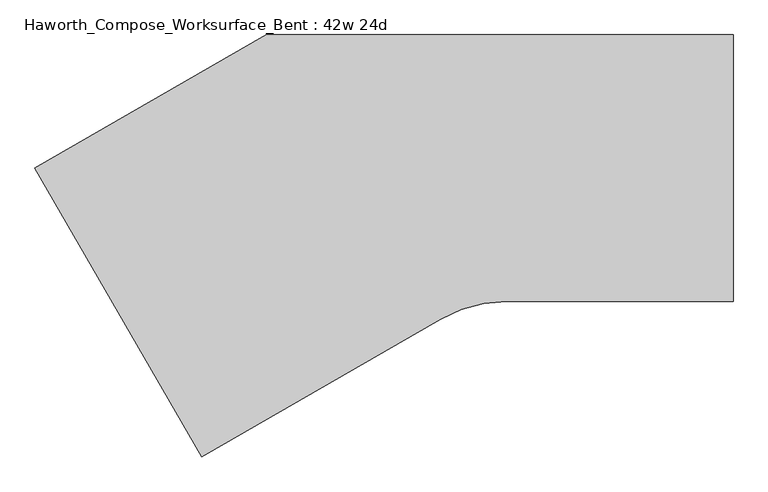
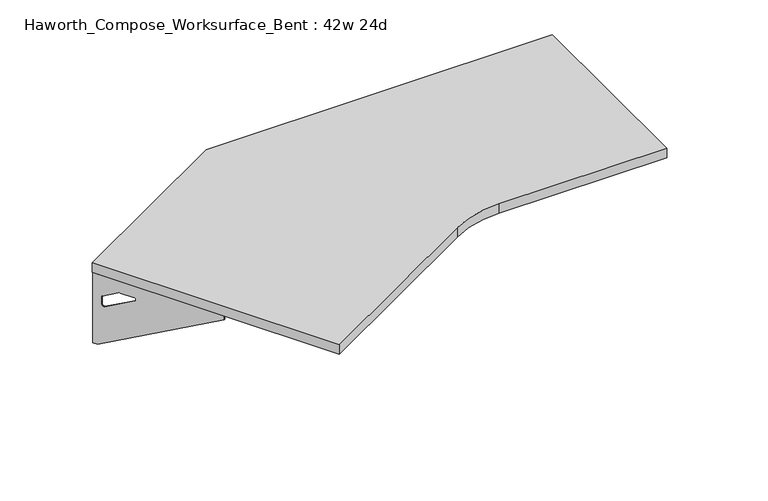
"""IFC4 building model written with IfcOpenShell, lengths in millimetres: furniture geometry, Haworth_Compose_Worksurface_Bent : 42w 24d."""

import ifcopenshell
import ifcopenshell.guid

model = None  # the IFC model being written
_history = None  # IfcOwnerHistory: only IFC2X3 demands one
_inside = {}  # id of a spatial element -> (the spatial element, [elements in it])
_under = {}  # id of a project, library or spatial element -> (it, [spatial elements below it])
_declared = {}  # id of a project -> (the project, [libraries it declares])
_typed = {}  # id of a type object -> (the type object, [elements of that type])
_made_of = {}  # id of a material, layer set ... -> (it, [elements and type objects made of it])


def new_model(schema):
    """Start an empty IFC model of exactly this schema.

    Asked for "IFC4X3", IfcOpenShell would pick the latest addendum, in which some entities
    have other attributes; the version numbers below select the first issue.
    IFC2X3 requires an IfcOwnerHistory on every rooted entity: one is made here for all.
    """
    global model, _history
    if schema == "IFC4X3":
        model = ifcopenshell.file(schema_version=(4, 3, 0, 0))
    else:
        model = ifcopenshell.file(schema=schema)
    _inside.clear()
    _under.clear()
    _declared.clear()
    _typed.clear()
    _made_of.clear()
    _history = None
    if model.schema == "IFC2X3":
        org = make("IfcOrganization", Name="unknown")
        user = make(
            "IfcPersonAndOrganization",
            ThePerson=make("IfcPerson", FamilyName="unknown"),
            TheOrganization=org,
        )
        app = make(
            "IfcApplication",
            ApplicationDeveloper=org,
            Version="unknown",
            ApplicationFullName="unknown",
            ApplicationIdentifier="unknown",
        )
        _history = make(
            "IfcOwnerHistory",
            OwningUser=user,
            OwningApplication=app,
            ChangeAction="ADDED",
            CreationDate=0,
        )
    return model


def make(cls, **values):
    """One entity of the class cls with the attributes given. An attribute that is None is left unset."""
    return model.create_entity(
        cls, **{name: value for name, value in values.items() if value is not None}
    )


def rooted(cls, **values):
    """An entity with a GlobalId (a new one), such as an element, a storey or a relation."""
    return make(cls, GlobalId=ifcopenshell.guid.new(), OwnerHistory=_history, **values)


def si_unit(unit_type, name, prefix=None):
    """IfcSIUnit, for example si_unit("LENGTHUNIT", "METRE", prefix="MILLI")."""
    return make("IfcSIUnit", UnitType=unit_type, Prefix=prefix, Name=name)


def assignment(units):
    """IfcUnitAssignment: the units of a project."""
    return None if units is None else make("IfcUnitAssignment", Units=units)


def point(xyz):
    """IfcCartesianPoint."""
    return None if xyz is None else make("IfcCartesianPoint", Coordinates=xyz)


def direction(xyz):
    """IfcDirection."""
    return None if xyz is None else make("IfcDirection", DirectionRatios=xyz)


def frame(location, z_axis=None, x_axis=None):
    """IfcAxis2Placement3D, a coordinate frame: its origin and axes. An axis left out is left unset."""
    return make(
        "IfcAxis2Placement3D",
        Location=point(location),
        Axis=direction(z_axis),
        RefDirection=direction(x_axis),
    )


def frame_2d(location, x_axis=None):
    """IfcAxis2Placement2D, a coordinate frame in the plane: its origin and x axis."""
    return make(
        "IfcAxis2Placement2D", Location=point(location), RefDirection=direction(x_axis)
    )


def origin():
    """The frame at (0, 0, 0) with its axes left unset."""
    return frame((0.0, 0.0, 0.0))


def place(relative_to, where):
    """IfcLocalPlacement: puts the frame where relative to a parent placement (None: the world)."""
    return make(
        "IfcLocalPlacement", PlacementRelTo=relative_to, RelativePlacement=where
    )


def context(
    kind, dimensions, precision=None, world=None, true_north=None, identifier=None
):
    """IfcGeometricRepresentationContext, for example the 3D "Model" context."""
    return make(
        "IfcGeometricRepresentationContext",
        ContextIdentifier=identifier,
        ContextType=kind,
        CoordinateSpaceDimension=dimensions,
        Precision=precision,
        WorldCoordinateSystem=world,
        TrueNorth=true_north,
    )


def project(units=None, contexts=None):
    """IfcProject with its units and contexts."""
    return rooted(
        "IfcProject",
        Name="project",
        RepresentationContexts=contexts,
        UnitsInContext=assignment(units),
    )


def spatial(cls, under=None, at=None, **own):
    """A site, building, storey or space (cls), placed at a placement, below another one or the project."""
    s = rooted(cls, ObjectPlacement=at, **own)
    if under is not None:
        _under.setdefault(under.id(), (under, []))[1].append(s)
    return s


def polyline(points):
    """IfcPolyline through the points."""
    return make("IfcPolyline", Points=[point(p) for p in points])


def circle_curve(where, radius):
    """IfcCircle in the frame where."""
    return make("IfcCircle", Position=where, Radius=radius)


def trimmed(basis, trim1, trim2, sense, master):
    """IfcTrimmedCurve: the piece of a basis curve between two trims."""
    return make(
        "IfcTrimmedCurve",
        BasisCurve=basis,
        Trim1=trim1,
        Trim2=trim2,
        SenseAgreement=sense,
        MasterRepresentation=master,
    )


def segment(curve, same_sense, transition):
    """IfcCompositeCurveSegment."""
    return make(
        "IfcCompositeCurveSegment",
        Transition=transition,
        SameSense=same_sense,
        ParentCurve=curve,
    )


def composite_curve(segments, self_intersect=None):
    """IfcCompositeCurve: segments joined end to end."""
    return make("IfcCompositeCurve", Segments=segments, SelfIntersect=self_intersect)


def outline(outer, holes=None, kind="AREA"):
    """IfcArbitraryClosedProfileDef: a profile drawn as a closed curve; with holes, ...WithVoids."""
    if holes is None:
        return make("IfcArbitraryClosedProfileDef", ProfileType=kind, OuterCurve=outer)
    return make(
        "IfcArbitraryProfileDefWithVoids",
        ProfileType=kind,
        OuterCurve=outer,
        InnerCurves=holes,
    )


def extrude(swept, where, along, depth):
    """IfcExtrudedAreaSolid: the profile swept, set in the frame where, extruded along a direction by depth."""
    return make(
        "IfcExtrudedAreaSolid",
        SweptArea=swept,
        Position=where,
        ExtrudedDirection=direction(along),
        Depth=depth,
    )


def shape(context_of_items, identifier, shape_type, items):
    """IfcShapeRepresentation: the items that make up one representation, for example the "Body"."""
    return make(
        "IfcShapeRepresentation",
        ContextOfItems=context_of_items,
        RepresentationIdentifier=identifier,
        RepresentationType=shape_type,
        Items=items,
    )


def source(mapping_origin, context_of_items, identifier, shape_type, items):
    """IfcRepresentationMap: a shape defined once, which mapped items show again and again."""
    return make(
        "IfcRepresentationMap",
        MappingOrigin=mapping_origin,
        MappedRepresentation=shape(context_of_items, identifier, shape_type, items),
    )


def transform(
    local_origin,
    x_axis=None,
    y_axis=None,
    z_axis=None,
    scale=None,
    scale2=None,
    scale3=None,
    uniform=True,
):
    """IfcCartesianTransformationOperator3D, or its non-uniform kind. x_axis, y_axis, z_axis: its Axis1, 2, 3."""
    if uniform:
        return make(
            "IfcCartesianTransformationOperator3D",
            Axis1=direction(x_axis),
            Axis2=direction(y_axis),
            LocalOrigin=point(local_origin),
            Scale=scale,
            Axis3=direction(z_axis),
        )
    return make(
        "IfcCartesianTransformationOperator3DnonUniform",
        Axis1=direction(x_axis),
        Axis2=direction(y_axis),
        LocalOrigin=point(local_origin),
        Scale=scale,
        Axis3=direction(z_axis),
        Scale2=scale2,
        Scale3=scale3,
    )


def mapped(mapping_source, mapping_target):
    """IfcMappedItem: shows the shape of a source again, moved by a transform."""
    return make(
        "IfcMappedItem", MappingSource=mapping_source, MappingTarget=mapping_target
    )


def made_of(thing, what):
    """Note that an element or type object is made of a material, layer set ...; save() writes the relation."""
    if what is not None:
        _made_of.setdefault(what.id(), (what, []))[1].append(thing)
    return thing


def element(
    cls,
    number,
    at=None,
    inside=None,
    cuts=None,
    type_object=None,
    material=None,
    context=None,
    identifier="Body",
    shape_type=None,
    held_by="IfcProductDefinitionShape",
    body=None,
    shapes=None,
    **own,
):
    """One element of the class cls, such as IfcWall. Its Tag is "e" and its number.

    at: its placement. inside: the storey or other place that contains it. cuts: it is an
    opening in that element (IfcRelVoidsElement). A single representation is given by context,
    identifier, shape_type and body (its items); several are given by shapes. held_by: the class
    of the entity that holds the representations. save() writes the other relations.
    """
    e = rooted(cls, Tag="e%d" % number, ObjectPlacement=at, **own)
    if body is not None:
        shapes = [shape(context, identifier, shape_type, body)]
    if shapes is not None:
        e.Representation = make(held_by, Representations=shapes)
    if inside is not None:
        _inside.setdefault(inside.id(), (inside, []))[1].append(e)
    if cuts is not None:
        rooted(
            "IfcRelVoidsElement", RelatingBuildingElement=cuts, RelatedOpeningElement=e
        )
    if type_object is not None:
        _typed.setdefault(type_object.id(), (type_object, []))[1].append(e)
    return made_of(e, material)


def aggregate(whole, parts):
    """IfcRelAggregates: a whole, such as a stair, and the parts it consists of."""
    return rooted("IfcRelAggregates", RelatingObject=whole, RelatedObjects=parts)


def save(model, path):
    """Write the relations noted so far, then the file.

    IfcRelAggregates (storeys below a building ...), IfcRelContainedInSpatialStructure (elements
    in a storey), IfcRelDefinesByType, IfcRelAssociatesMaterial and IfcRelDeclares: one each for
    every whole, place, type object, material and project.
    """
    for whole, parts in _under.values():
        aggregate(whole, parts)
    for where, things in _inside.values():
        rooted(
            "IfcRelContainedInSpatialStructure",
            RelatedElements=things,
            RelatingStructure=where,
        )
    for kind, things in _typed.values():
        rooted("IfcRelDefinesByType", RelatedObjects=things, RelatingType=kind)
    for what, things in _made_of.values():
        rooted("IfcRelAssociatesMaterial", RelatedObjects=things, RelatingMaterial=what)
    for by, libraries in _declared.values():
        rooted("IfcRelDeclares", RelatingContext=by, RelatedDefinitions=libraries)
    model.write(path)


def plane_surface(at):
    """IfcPlane: the flat surface through the origin of the frame at, square to its z axis."""
    return make("IfcPlane", Position=at)


def revolved_surface(curve, axis_point, axis_direction):
    """IfcSurfaceOfRevolution: the curve turned about the line through axis_point along axis_direction."""
    return make(
        "IfcSurfaceOfRevolution",
        SweptCurve=make("IfcArbitraryOpenProfileDef", ProfileType="CURVE", Curve=curve),
        AxisPosition=make("IfcAxis1Placement", Location=point(axis_point), Axis=direction(axis_direction)),
    )


def advanced_brep(points, edges, surfaces, faces):
    """IfcAdvancedBrep: a solid bounded by faces that lie on surfaces and meet in shared edges.

    An edge is (start, end): straight between two places in points (the first is 0);
    or (start, end, curve); or (start, end, curve, False) where it runs against its curve.
    A face is (place in surfaces, loops), or (place, loops, False) where it looks against
    its surface's normal. A loop lists edges by number (the first is 1), with a minus sign
    where the edge is run from its end to its start. The first loop is the outer one.
    """
    corners = [point(p) for p in points]
    vertices = [make("IfcVertexPoint", VertexGeometry=c) for c in corners]
    made = []
    for start, end, *more in edges:
        made.append(
            make(
                "IfcEdgeCurve",
                EdgeStart=vertices[start],
                EdgeEnd=vertices[end],
                EdgeGeometry=more[0] if more else make("IfcPolyline", Points=[corners[start], corners[end]]),
                SameSense=more[1] if len(more) > 1 else True,
            )
        )
    hull = []
    for where, loops, *sense in faces:
        bounds = []
        for j, loop in enumerate(loops):
            ring = [make("IfcOrientedEdge", EdgeElement=made[abs(k) - 1], Orientation=k > 0) for k in loop]
            bounds.append(
                make(
                    "IfcFaceOuterBound" if j == 0 else "IfcFaceBound",
                    Bound=make("IfcEdgeLoop", EdgeList=ring),
                    Orientation=True,
                )
            )
        hull.append(make("IfcAdvancedFace", Bounds=bounds, FaceSurface=surfaces[where], SameSense=sense[0] if sense else True))
    return make("IfcAdvancedBrep", Outer=make("IfcClosedShell", CfsFaces=hull))


def haworth_compose_worksurface_bent_42w_24d_aab22cc7(model_context):
    return source(origin(), model_context, "Body", "SolidModel", [
        advanced_brep(
        [(299.24375, 304.8, 475.45625), (299.24375, 288.925, 475.45625), (299.24375, -101.6, 691.7192568), (299.24375, -101.6, 704.05625), (299.24375, 288.925, 704.05625), (299.24375, 304.8, 704.05625), (299.24375, 221.490072, 665.95625), (299.24375, 177.8355284, 665.95625), (299.24375, 175.1564235, 656.3705539), (299.24375, 266.8776173, 605.5776439), (299.24375, 276.225, 611.1756969), (299.24375, 276.225, 634.6860246), (299.24375, 274.4730055, 637.5242776), (299.24375, 224.5663437, 665.1613425), (301.625, 304.8, 475.45625), (301.625, 304.8, 704.05625), (301.625, 288.925, 704.05625), (301.625, 288.925, 706.4375), (301.625, -101.6, 706.4375), (301.625, -101.6, 691.7192568), (301.625, 288.925, 475.45625), (301.625, 221.490072, 665.95625), (301.625, 224.5663437, 665.1613425), (301.625, 274.4730055, 637.5242776), (301.625, 276.225, 634.6860246), (301.625, 276.225, 611.1756969), (301.625, 266.8776173, 605.5776439), (301.625, 175.1564235, 656.3705539), (301.625, 177.8355284, 665.95625), (260.35, -101.6, 706.4375), (260.35, -101.6, 704.05625), (260.35, 288.925, 704.05625), (260.35, 288.925, 706.4375)],
        [
            (0, 1),
            (1, 2),
            (2, 3),
            (3, 4),
            (4, 5),
            (5, 0),
            (6, 7),
            (7, 8, circle_curve(frame((299.24375, 177.8355284, 660.7890106), z_axis=(1.0, 0.0, 0.0), x_axis=(0.0, -1.0, 0.0)), 5.1672394)),
            (8, 9),
            (9, 10, circle_curve(frame((299.24375, 269.875, 611.1756969), z_axis=(1.0, 0.0, 0.0), x_axis=(0.0, -1.0, 0.0)), 6.35)),
            (10, 11),
            (11, 12, circle_curve(frame((299.24375, 273.05, 634.6860246), z_axis=(1.0, 0.0, 0.0), x_axis=(0.0, -1.0, 0.0)), 3.175)),
            (12, 13),
            (13, 6, circle_curve(frame((299.24375, 221.490072, 659.60625), z_axis=(1.0, 0.0, 0.0), x_axis=(0.0, -1.0, 0.0)), 6.35)),
            (14, 15),
            (15, 16),
            (16, 17),
            (17, 18),
            (18, 19),
            (19, 20),
            (20, 14),
            (21, 22, circle_curve(frame((301.625, 221.490072, 659.60625), z_axis=(-1.0, 0.0, 0.0), x_axis=(0.0, -1.0, 0.0)), 6.35)),
            (22, 23),
            (23, 24, circle_curve(frame((301.625, 273.05, 634.6860246), z_axis=(-1.0, 0.0, 0.0), x_axis=(0.0, -1.0, 0.0)), 3.175)),
            (24, 25),
            (25, 26, circle_curve(frame((301.625, 269.875, 611.1756969), z_axis=(-1.0, 0.0, 0.0), x_axis=(0.0, -1.0, 0.0)), 6.35)),
            (26, 27),
            (27, 28, circle_curve(frame((301.625, 177.8355284, 660.7890106), z_axis=(-1.0, 0.0, 0.0), x_axis=(0.0, -1.0, 0.0)), 5.1672394)),
            (28, 21),
            (4, 16),
            (15, 5),
            (14, 0),
            (20, 1),
            (19, 2),
            (18, 29),
            (29, 30),
            (30, 3),
            (6, 21),
            (28, 7),
            (9, 26),
            (25, 10),
            (24, 11),
            (23, 12),
            (27, 8),
            (31, 4),
            (30, 31),
            (32, 29),
            (17, 32),
            (31, 32),
            (22, 13),
        ],
        [
            plane_surface(frame((299.24375, 304.8, 475.45625), z_axis=(-1.0, 0.0, 0.0), x_axis=(0.0, 1.0, 0.0))),
            plane_surface(frame((301.625, 304.8, 475.45625), z_axis=(1.0, 0.0, 0.0), x_axis=(0.0, -1.0, 0.0))),
            plane_surface(frame((301.625, -101.6, 704.05625), z_axis=(0.0, 0.0, 1.0), x_axis=(-1.0, 0.0, 0.0))),
            plane_surface(frame((301.625, 304.8, 704.05625), z_axis=(0.0, 1.0, 0.0), x_axis=(-1.0, 0.0, 0.0))),
            plane_surface(frame((301.625, 304.8, 475.45625), z_axis=(0.0, 0.0, -1.0), x_axis=(-1.0, 0.0, 0.0))),
            plane_surface(frame((301.625, 288.925, 475.45625), z_axis=(0.0, -0.48445223513455843, -0.8748177135112952), x_axis=(-1.0, 0.0, 0.0))),
            plane_surface(frame((301.625, -101.6, 691.7192568), z_axis=(0.0, -1.0, 0.0), x_axis=(-1.0, 0.0, 0.0))),
            plane_surface(frame((301.625, 221.490072, 665.95625), z_axis=(0.0, 0.0, -1.0), x_axis=(-1.0, 0.0, 0.0))),
            revolved_surface(polyline([(299.24375, 263.525, 611.1756969), (301.625, 263.525, 611.1756969)]), (301.625, 269.875, 611.1756969), (-1.0, 0.0, 0.0)),
            plane_surface(frame((301.625, 276.225, 611.1756969), z_axis=(0.0, -1.0, 0.0), x_axis=(-1.0, 0.0, 0.0))),
            revolved_surface(polyline([(299.24375, 269.875, 634.6860246), (301.625, 269.875, 634.6860246)]), (301.625, 273.05, 634.6860246), (-1.0, 0.0, 0.0)),
            revolved_surface(polyline([(299.24375, 172.668289, 660.7890106), (301.625, 172.668289, 660.7890106)]), (301.625, 177.8355284, 660.7890106), (-1.0, 0.0, 0.0)),
            plane_surface(frame((301.625, 288.925, 704.05625), z_axis=(0.0, 0.0, -1.0), x_axis=(-1.0, 0.0, 0.0))),
            plane_surface(frame((301.625, 288.925, 706.4375), z_axis=(0.0, 0.0, 1.0), x_axis=(1.0, 0.0, 0.0))),
            plane_surface(frame((260.35, 288.925, 706.4375), z_axis=(0.0, 1.0, 0.0), x_axis=(0.0, 0.0, -1.0))),
            plane_surface(frame((260.35, -101.6, 706.4375), z_axis=(-1.0, 0.0, 0.0), x_axis=(0.0, 0.0, -1.0))),
            plane_surface(frame((301.625, 175.1564235, 656.3705539), z_axis=(0.0, 0.4844522351345583, 0.8748177135112953), x_axis=(-1.0, 0.0, 0.0))),
            plane_surface(frame((301.625, 274.4730055, 637.5242776), z_axis=(0.0, -0.4844522351345582, -0.8748177135112953), x_axis=(-1.0, 0.0, 0.0))),
            revolved_surface(polyline([(299.24375, 215.140072, 659.60625), (301.625, 215.140072, 659.60625)]), (301.625, 221.490072, 659.60625), (-1.0, 0.0, 0.0)),
        ],
        [
            (0, [[1, 2, 3, 4, 5, 6], [7, 8, 9, 10, 11, 12, 13, 14]]),
            (1, [[15, 16, 17, 18, 19, 20, 21], [22, 23, 24, 25, 26, 27, 28, 29]]),
            (2, [[-5, 30, -16, 31]]),
            (3, [[-31, -15, 32, -6]]),
            (4, [[-32, -21, 33, -1]]),
            (5, [[-33, -20, 34, -2]]),
            (6, [[-34, -19, 35, 36, 37, -3]]),
            (7, [[38, -29, 39, -7]]),
            (8, [[40, -26, 41, -10]]),
            (9, [[-41, -25, 42, -11]]),
            (10, [[-42, -24, 43, -12]]),
            (11, [[-39, -28, 44, -8]]),
            (12, [[45, -4, -37, 46]]),
            (13, [[47, -35, -18, 48]]),
            (14, [[-17, -30, -45, 49, -48]]),
            (15, [[-36, -47, -49, -46]]),
            (16, [[-44, -27, -40, -9]]),
            (17, [[-43, -23, 50, -13]]),
            (18, [[-50, -22, -38, -14]]),
        ],
    ),
        advanced_brep(
        [(-1285.1172325, 2.778125, 475.45625), (-1285.1172325, 2.778125, 704.05625), (-1277.1797325, -10.9700283, 704.05625), (-1081.9172325, -349.1745991, 704.05625), (-1081.9172325, -349.1745991, 691.7192568), (-1277.1797325, -10.9700283, 475.45625), (-1243.4622685, -69.370389, 665.95625), (-1245.0004043, -66.7062596, 665.1613425), (-1269.9537353, -23.4858226, 637.5242776), (-1270.8297325, -21.9685509, 634.6860246), (-1270.8297325, -21.9685509, 611.1756969), (-1266.1560412, -30.0636218, 605.5776439), (-1220.2954442, -109.4965057, 656.3705539), (-1221.6349967, -107.1763328, 665.95625), (-1287.1794555, 1.5875, 475.45625), (-1279.2419555, -12.1606533, 475.45625), (-1083.9794555, -350.3652241, 691.7192568), (-1083.9794555, -350.3652241, 706.4375), (-1279.2419555, -12.1606533, 706.4375), (-1279.2419555, -12.1606533, 704.05625), (-1287.1794555, 1.5875, 704.05625), (-1245.5244915, -70.561014, 665.95625), (-1223.6972197, -108.3669578, 665.95625), (-1222.3576672, -110.6871307, 656.3705539), (-1268.2182641, -31.2542468, 605.5776439), (-1272.8919555, -23.1591759, 611.1756969), (-1272.8919555, -23.1591759, 634.6860246), (-1272.0159583, -24.6764476, 637.5242776), (-1247.0626273, -67.8968846, 665.1613425), (-1048.2342569, -329.7277241, 704.05625), (-1048.2342569, -329.7277241, 706.4375), (-1243.4967569, 8.4768467, 704.05625), (-1243.4967569, 8.4768467, 706.4375)],
        [
            (0, 1),
            (1, 2),
            (2, 3),
            (3, 4),
            (4, 5),
            (5, 0),
            (6, 7, circle_curve(frame((-1243.4622685, -69.370389, 659.60625), z_axis=(-0.8660254037844367, -0.5000000000000036, 0.0), x_axis=(0.5000000000000034, -0.8660254037844365, 0.0)), 6.35)),
            (7, 8),
            (8, 9, circle_curve(frame((-1269.2422325, -24.7181816, 634.6860246), z_axis=(-0.8660254037844367, -0.5000000000000036, 0.0), x_axis=(0.5000000000000034, -0.8660254037844365, 0.0)), 3.175)),
            (9, 10),
            (10, 11, circle_curve(frame((-1267.6547325, -27.4678122, 611.1756969), z_axis=(-0.8660254037844367, -0.5000000000000036, 0.0), x_axis=(0.5000000000000034, -0.8660254037844365, 0.0)), 6.35)),
            (11, 12),
            (12, 13, circle_curve(frame((-1221.6349967, -107.1763328, 660.7890106), z_axis=(-0.8660254037844367, -0.5000000000000036, 0.0), x_axis=(0.5000000000000034, -0.8660254037844365, 0.0)), 5.1672394)),
            (13, 6),
            (14, 15),
            (15, 16),
            (16, 17),
            (17, 18),
            (18, 19),
            (19, 20),
            (20, 14),
            (21, 22),
            (22, 23, circle_curve(frame((-1223.6972197, -108.3669578, 660.7890106), z_axis=(0.8660254037844367, 0.5000000000000036, 0.0), x_axis=(0.5000000000000034, -0.8660254037844365, 0.0)), 5.1672394)),
            (23, 24),
            (24, 25, circle_curve(frame((-1269.7169555, -28.6584372, 611.1756969), z_axis=(0.8660254037844367, 0.5000000000000036, 0.0), x_axis=(0.5000000000000034, -0.8660254037844365, 0.0)), 6.35)),
            (25, 26),
            (26, 27, circle_curve(frame((-1271.3044555, -25.9088066, 634.6860246), z_axis=(0.8660254037844367, 0.5000000000000036, 0.0), x_axis=(0.5000000000000034, -0.8660254037844365, 0.0)), 3.175)),
            (27, 28),
            (28, 21, circle_curve(frame((-1245.5244915, -70.561014, 659.60625), z_axis=(0.8660254037844367, 0.5000000000000036, 0.0), x_axis=(0.5000000000000034, -0.8660254037844365, 0.0)), 6.35)),
            (1, 20),
            (19, 2),
            (0, 14),
            (5, 15),
            (4, 16),
            (3, 29),
            (29, 30),
            (30, 17),
            (13, 22),
            (21, 6),
            (10, 25),
            (24, 11),
            (9, 26),
            (8, 27),
            (12, 23),
            (31, 29),
            (2, 31),
            (32, 18),
            (30, 32),
            (32, 31),
            (7, 28),
        ],
        [
            plane_surface(frame((-1285.1172325, 2.778125, 475.45625), z_axis=(0.8660254037844367, 0.5000000000000036, 0.0), x_axis=(-0.5000000000000036, 0.8660254037844367, 0.0))),
            plane_surface(frame((-1287.1794555, 1.5875, 475.45625), z_axis=(-0.8660254037844367, -0.5000000000000036, 0.0), x_axis=(0.5000000000000036, -0.8660254037844367, 0.0))),
            plane_surface(frame((-1083.9794555, -350.3652241, 704.05625), z_axis=(0.0, 0.0, 1.0), x_axis=(0.8660254037844358, 0.500000000000005, 0.0))),
            plane_surface(frame((-1287.1794555, 1.5875, 704.05625), z_axis=(-0.500000000000005, 0.8660254037844358, 0.0), x_axis=(0.8660254037844358, 0.500000000000005, 0.0))),
            plane_surface(frame((-1287.1794555, 1.5875, 475.45625), z_axis=(0.0, 0.0, -1.0), x_axis=(0.8660254037844358, 0.500000000000005, 0.0))),
            plane_surface(frame((-1279.2419555, -12.1606533, 475.45625), z_axis=(0.24222611756728163, -0.41954794254667843, -0.8748177135112951), x_axis=(0.8660254037844358, 0.500000000000005, 0.0))),
            plane_surface(frame((-1083.9794555, -350.3652241, 691.7192568), z_axis=(0.500000000000005, -0.8660254037844358, 0.0), x_axis=(0.8660254037844358, 0.500000000000005, 0.0))),
            plane_surface(frame((-1245.5244915, -70.561014, 665.95625), z_axis=(0.0, 0.0, -1.0), x_axis=(0.8660254037844358, 0.500000000000005, 0.0))),
            revolved_surface(polyline([(-1264.4797325018096, -32.96707351089683, 611.1756969), (-1266.5419555060757, -34.15769851753894, 611.1756969)]), (-1269.7169555, -28.6584372, 611.1756969), (0.8660254037844365, 0.5000000000000034, 0.0)),
            plane_surface(frame((-1272.8919555, -23.1591759, 611.1756969), z_axis=(0.500000000000005, -0.8660254037844358, 0.0), x_axis=(0.8660254037844358, 0.500000000000005, 0.0))),
            revolved_surface(polyline([(-1267.6547324831968, -27.46781224313527, 634.6860246), (-1269.7169554999998, -28.658437257015585, 634.6860246)]), (-1271.3044555, -25.9088066, 634.6860246), (0.8660254037844365, 0.5000000000000034, 0.0)),
            revolved_surface(polyline([(-1219.0513769630957, -111.6512933623501, 660.7890106), (-1221.1136, -112.84191838783585, 660.7890106)]), (-1223.6972197, -108.3669578, 660.7890106), (0.8660254037844365, 0.5000000000000034, 0.0)),
            plane_surface(frame((-1279.2419555, -12.1606533, 704.05625), z_axis=(0.0, 0.0, -1.0), x_axis=(0.866025403784437, 0.5000000000000029, 0.0))),
            plane_surface(frame((-1279.2419555, -12.1606533, 706.4375), z_axis=(0.0, 0.0, 1.0), x_axis=(-0.866025403784437, -0.5000000000000029, 0.0))),
            plane_surface(frame((-1243.4967569, 8.4768467, 706.4375), z_axis=(-0.5000000000000029, 0.866025403784437, 0.0), x_axis=(0.0, 0.0, -1.0))),
            plane_surface(frame((-1048.2342569, -329.7277241, 706.4375), z_axis=(0.8660254037844367, 0.5000000000000036, 0.0), x_axis=(0.0, 0.0, -1.0))),
            plane_surface(frame((-1222.3576672, -110.6871307, 656.3705539), z_axis=(-0.24222611756728157, 0.4195479425466783, 0.8748177135112953), x_axis=(0.8660254037844358, 0.500000000000005, 0.0))),
            plane_surface(frame((-1272.0159583, -24.6764476, 637.5242776), z_axis=(0.24222611756728155, -0.41954794254667827, -0.8748177135112954), x_axis=(0.8660254037844358, 0.500000000000005, 0.0))),
            revolved_surface(polyline([(-1240.287268482125, -74.86965029953195, 659.60625), (-1242.3494915, -76.06027531403117, 659.60625)]), (-1245.5244915, -70.561014, 659.60625), (0.8660254037844365, 0.5000000000000034, 0.0)),
        ],
        [
            (0, [[1, 2, 3, 4, 5, 6], [7, 8, 9, 10, 11, 12, 13, 14]]),
            (1, [[15, 16, 17, 18, 19, 20, 21], [22, 23, 24, 25, 26, 27, 28, 29]]),
            (2, [[30, -20, 31, -2]]),
            (3, [[-1, 32, -21, -30]]),
            (4, [[-6, 33, -15, -32]]),
            (5, [[-5, 34, -16, -33]]),
            (6, [[-4, 35, 36, 37, -17, -34]]),
            (7, [[-14, 38, -22, 39]]),
            (8, [[-11, 40, -25, 41]]),
            (9, [[-10, 42, -26, -40]]),
            (10, [[-9, 43, -27, -42]]),
            (11, [[-13, 44, -23, -38]]),
            (12, [[45, -35, -3, 46]]),
            (13, [[47, -18, -37, 48]]),
            (14, [[-47, 49, -46, -31, -19]]),
            (15, [[-45, -49, -48, -36]]),
            (16, [[-12, -41, -24, -44]]),
            (17, [[-8, 50, -28, -43]]),
            (18, [[-7, -39, -29, -50]]),
        ],
    ),
        extrude(outline(composite_curve([segment(polyline([(-762.0, 304.8), (304.8, 304.8), (304.8, -304.8), (-212.1872584, -304.8)]), True, "CONTINUOUS"), segment(trimmed(circle_curve(frame_2d((-212.1872584, -609.6)), 304.8), [point((-212.1872584, -304.8))], [point((-364.5872584, -345.6354569))], True, "CARTESIAN"), True, "CONTINUOUS"), segment(polyline([(-364.5872584, -345.6354569), (-908.9290861, -659.9113577), (-1289.9290861, 0.0), (-762.0, 304.8)]), True, "CONTINUOUS")], self_intersect=False)), frame((0.0, 0.0, 706.4375), z_axis=(0.0, 0.0, 1.0), x_axis=(1.0, 0.0, 0.0)), (0.0, 0.0, 1.0), 30.1625),
    ])


if __name__ == "__main__":
    model = new_model("IFC4")
    model_context = context("Model", 3, world=origin())
    ifc_project = project(units=[si_unit("LENGTHUNIT", "METRE", prefix="MILLI")], contexts=[model_context])
    site = spatial("IfcSite", under=ifc_project)
    building = spatial("IfcBuilding", under=site)
    placement = place(None, origin())
    haworth_compose_worksurface_bent_42w_24d_shape = haworth_compose_worksurface_bent_42w_24d_aab22cc7(model_context)
    element("IfcFurniture", 1, ObjectType="Haworth_Compose_Worksurface_Bent : 42w 24d", at=placement, inside=building, context=model_context, shape_type="MappedRepresentation", body=[
        mapped(haworth_compose_worksurface_bent_42w_24d_shape, transform((0.0, 0.0, 0.0), x_axis=(1.0, 0.0, 0.0), y_axis=(0.0, 1.0, 0.0), z_axis=(0.0, 0.0, 1.0))),
    ])
    save(model, "model.ifc")
